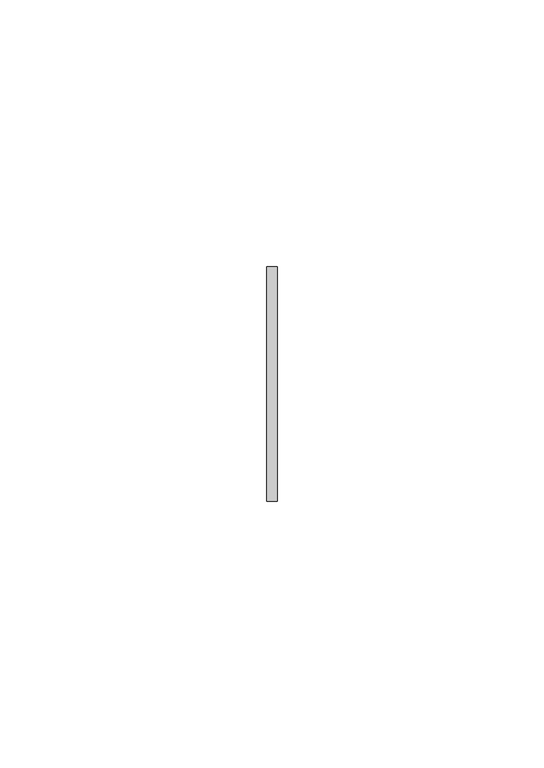
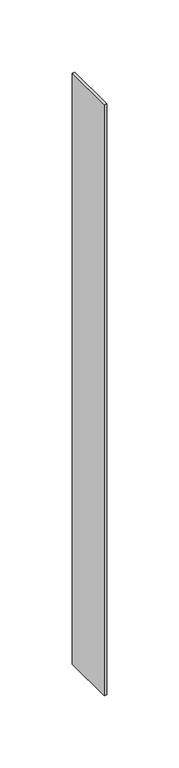
"""IFC4 building model written with IfcOpenShell, lengths in millimetres: member geometry."""

import ifcopenshell
import ifcopenshell.guid

model = None  # the IFC model being written
_history = None  # IfcOwnerHistory: only IFC2X3 demands one
_inside = {}  # id of a spatial element -> (the spatial element, [elements in it])
_under = {}  # id of a project, library or spatial element -> (it, [spatial elements below it])
_declared = {}  # id of a project -> (the project, [libraries it declares])
_typed = {}  # id of a type object -> (the type object, [elements of that type])
_made_of = {}  # id of a material, layer set ... -> (it, [elements and type objects made of it])


def new_model(schema):
    """Start an empty IFC model of exactly this schema.

    Asked for "IFC4X3", IfcOpenShell would pick the latest addendum, in which some entities
    have other attributes; the version numbers below select the first issue.
    IFC2X3 requires an IfcOwnerHistory on every rooted entity: one is made here for all.
    """
    global model, _history
    if schema == "IFC4X3":
        model = ifcopenshell.file(schema_version=(4, 3, 0, 0))
    else:
        model = ifcopenshell.file(schema=schema)
    _inside.clear()
    _under.clear()
    _declared.clear()
    _typed.clear()
    _made_of.clear()
    _history = None
    if model.schema == "IFC2X3":
        org = make("IfcOrganization", Name="unknown")
        user = make(
            "IfcPersonAndOrganization",
            ThePerson=make("IfcPerson", FamilyName="unknown"),
            TheOrganization=org,
        )
        app = make(
            "IfcApplication",
            ApplicationDeveloper=org,
            Version="unknown",
            ApplicationFullName="unknown",
            ApplicationIdentifier="unknown",
        )
        _history = make(
            "IfcOwnerHistory",
            OwningUser=user,
            OwningApplication=app,
            ChangeAction="ADDED",
            CreationDate=0,
        )
    return model


def make(cls, **values):
    """One entity of the class cls with the attributes given. An attribute that is None is left unset."""
    return model.create_entity(
        cls, **{name: value for name, value in values.items() if value is not None}
    )


def rooted(cls, **values):
    """An entity with a GlobalId (a new one), such as an element, a storey or a relation."""
    return make(cls, GlobalId=ifcopenshell.guid.new(), OwnerHistory=_history, **values)


def si_unit(unit_type, name, prefix=None):
    """IfcSIUnit, for example si_unit("LENGTHUNIT", "METRE", prefix="MILLI")."""
    return make("IfcSIUnit", UnitType=unit_type, Prefix=prefix, Name=name)


def assignment(units):
    """IfcUnitAssignment: the units of a project."""
    return None if units is None else make("IfcUnitAssignment", Units=units)


def point(xyz):
    """IfcCartesianPoint."""
    return None if xyz is None else make("IfcCartesianPoint", Coordinates=xyz)


def direction(xyz):
    """IfcDirection."""
    return None if xyz is None else make("IfcDirection", DirectionRatios=xyz)


def frame(location, z_axis=None, x_axis=None):
    """IfcAxis2Placement3D, a coordinate frame: its origin and axes. An axis left out is left unset."""
    return make(
        "IfcAxis2Placement3D",
        Location=point(location),
        Axis=direction(z_axis),
        RefDirection=direction(x_axis),
    )


def origin():
    """The frame at (0, 0, 0) with its axes left unset."""
    return frame((0.0, 0.0, 0.0))


def place(relative_to, where):
    """IfcLocalPlacement: puts the frame where relative to a parent placement (None: the world)."""
    return make(
        "IfcLocalPlacement", PlacementRelTo=relative_to, RelativePlacement=where
    )


def context(
    kind, dimensions, precision=None, world=None, true_north=None, identifier=None
):
    """IfcGeometricRepresentationContext, for example the 3D "Model" context."""
    return make(
        "IfcGeometricRepresentationContext",
        ContextIdentifier=identifier,
        ContextType=kind,
        CoordinateSpaceDimension=dimensions,
        Precision=precision,
        WorldCoordinateSystem=world,
        TrueNorth=true_north,
    )


def project(units=None, contexts=None):
    """IfcProject with its units and contexts."""
    return rooted(
        "IfcProject",
        Name="project",
        RepresentationContexts=contexts,
        UnitsInContext=assignment(units),
    )


def spatial(cls, under=None, at=None, **own):
    """A site, building, storey or space (cls), placed at a placement, below another one or the project."""
    s = rooted(cls, ObjectPlacement=at, **own)
    if under is not None:
        _under.setdefault(under.id(), (under, []))[1].append(s)
    return s


def polyline(points):
    """IfcPolyline through the points."""
    return make("IfcPolyline", Points=[point(p) for p in points])


def outline(outer, holes=None, kind="AREA"):
    """IfcArbitraryClosedProfileDef: a profile drawn as a closed curve; with holes, ...WithVoids."""
    if holes is None:
        return make("IfcArbitraryClosedProfileDef", ProfileType=kind, OuterCurve=outer)
    return make(
        "IfcArbitraryProfileDefWithVoids",
        ProfileType=kind,
        OuterCurve=outer,
        InnerCurves=holes,
    )


def extrude(swept, where, along, depth):
    """IfcExtrudedAreaSolid: the profile swept, set in the frame where, extruded along a direction by depth."""
    return make(
        "IfcExtrudedAreaSolid",
        SweptArea=swept,
        Position=where,
        ExtrudedDirection=direction(along),
        Depth=depth,
    )


def shape(context_of_items, identifier, shape_type, items):
    """IfcShapeRepresentation: the items that make up one representation, for example the "Body"."""
    return make(
        "IfcShapeRepresentation",
        ContextOfItems=context_of_items,
        RepresentationIdentifier=identifier,
        RepresentationType=shape_type,
        Items=items,
    )


def source(mapping_origin, context_of_items, identifier, shape_type, items):
    """IfcRepresentationMap: a shape defined once, which mapped items show again and again."""
    return make(
        "IfcRepresentationMap",
        MappingOrigin=mapping_origin,
        MappedRepresentation=shape(context_of_items, identifier, shape_type, items),
    )


def transform(
    local_origin,
    x_axis=None,
    y_axis=None,
    z_axis=None,
    scale=None,
    scale2=None,
    scale3=None,
    uniform=True,
):
    """IfcCartesianTransformationOperator3D, or its non-uniform kind. x_axis, y_axis, z_axis: its Axis1, 2, 3."""
    if uniform:
        return make(
            "IfcCartesianTransformationOperator3D",
            Axis1=direction(x_axis),
            Axis2=direction(y_axis),
            LocalOrigin=point(local_origin),
            Scale=scale,
            Axis3=direction(z_axis),
        )
    return make(
        "IfcCartesianTransformationOperator3DnonUniform",
        Axis1=direction(x_axis),
        Axis2=direction(y_axis),
        LocalOrigin=point(local_origin),
        Scale=scale,
        Axis3=direction(z_axis),
        Scale2=scale2,
        Scale3=scale3,
    )


def mapped(mapping_source, mapping_target):
    """IfcMappedItem: shows the shape of a source again, moved by a transform."""
    return make(
        "IfcMappedItem", MappingSource=mapping_source, MappingTarget=mapping_target
    )


def made_of(thing, what):
    """Note that an element or type object is made of a material, layer set ...; save() writes the relation."""
    if what is not None:
        _made_of.setdefault(what.id(), (what, []))[1].append(thing)
    return thing


def element(
    cls,
    number,
    at=None,
    inside=None,
    cuts=None,
    type_object=None,
    material=None,
    context=None,
    identifier="Body",
    shape_type=None,
    held_by="IfcProductDefinitionShape",
    body=None,
    shapes=None,
    **own,
):
    """One element of the class cls, such as IfcWall. Its Tag is "e" and its number.

    at: its placement. inside: the storey or other place that contains it. cuts: it is an
    opening in that element (IfcRelVoidsElement). A single representation is given by context,
    identifier, shape_type and body (its items); several are given by shapes. held_by: the class
    of the entity that holds the representations. save() writes the other relations.
    """
    e = rooted(cls, Tag="e%d" % number, ObjectPlacement=at, **own)
    if body is not None:
        shapes = [shape(context, identifier, shape_type, body)]
    if shapes is not None:
        e.Representation = make(held_by, Representations=shapes)
    if inside is not None:
        _inside.setdefault(inside.id(), (inside, []))[1].append(e)
    if cuts is not None:
        rooted(
            "IfcRelVoidsElement", RelatingBuildingElement=cuts, RelatedOpeningElement=e
        )
    if type_object is not None:
        _typed.setdefault(type_object.id(), (type_object, []))[1].append(e)
    return made_of(e, material)


def aggregate(whole, parts):
    """IfcRelAggregates: a whole, such as a stair, and the parts it consists of."""
    return rooted("IfcRelAggregates", RelatingObject=whole, RelatedObjects=parts)


def save(model, path):
    """Write the relations noted so far, then the file.

    IfcRelAggregates (storeys below a building ...), IfcRelContainedInSpatialStructure (elements
    in a storey), IfcRelDefinesByType, IfcRelAssociatesMaterial and IfcRelDeclares: one each for
    every whole, place, type object, material and project.
    """
    for whole, parts in _under.values():
        aggregate(whole, parts)
    for where, things in _inside.values():
        rooted(
            "IfcRelContainedInSpatialStructure",
            RelatedElements=things,
            RelatingStructure=where,
        )
    for kind, things in _typed.values():
        rooted("IfcRelDefinesByType", RelatedObjects=things, RelatingType=kind)
    for what, things in _made_of.values():
        rooted("IfcRelAssociatesMaterial", RelatedObjects=things, RelatingMaterial=what)
    for by, libraries in _declared.values():
        rooted("IfcRelDeclares", RelatingContext=by, RelatedDefinitions=libraries)
    model.write(path)


def member_40e37c11(model_context):
    return source(origin(), model_context, "Body", "SweptSolid", [
        extrude(outline(polyline([(1.0, 22.0), (1.0, -22.0), (-1.0, -22.0), (-1.0, 22.0), (1.0, 22.0)])), frame((0.0, 0.0, -499.0000002), z_axis=(0.0, 0.0, 1.0), x_axis=(1.0, 0.0, 0.0)), (0.0, 0.0, 1.0), 499.0000002),
    ])


if __name__ == "__main__":
    model = new_model("IFC4")
    model_context = context("Model", 3, world=origin())
    ifc_project = project(units=[si_unit("LENGTHUNIT", "METRE", prefix="MILLI")], contexts=[model_context])
    site = spatial("IfcSite", under=ifc_project)
    building = spatial("IfcBuilding", under=site)
    placement = place(None, origin())
    member_shape = member_40e37c11(model_context)
    element("IfcMember", 1, at=placement, inside=building, context=model_context, shape_type="MappedRepresentation", body=[
        mapped(member_shape, transform((0.0, 0.0, 0.0), x_axis=(1.0, 0.0, 0.0), y_axis=(0.0, 1.0, 0.0), z_axis=(0.0, 0.0, 1.0))),
    ])
    save(model, "model.ifc")
